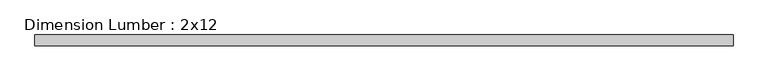
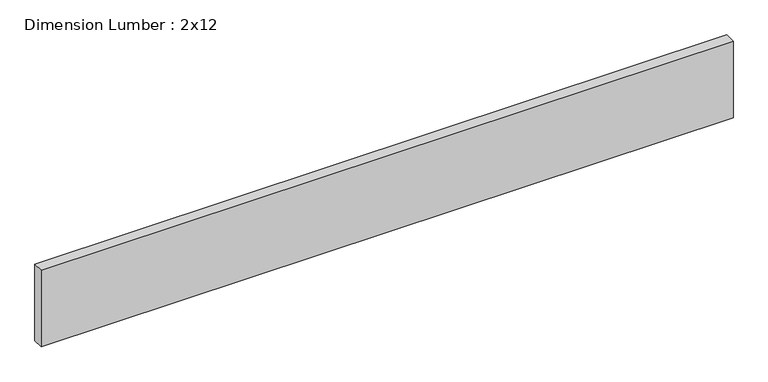
"""IFC4 building model written with IfcOpenShell, lengths in millimetres: beam geometry, Dimension Lumber : 2x12."""

import ifcopenshell
import ifcopenshell.guid

model = None  # the IFC model being written
_history = None  # IfcOwnerHistory: only IFC2X3 demands one
_inside = {}  # id of a spatial element -> (the spatial element, [elements in it])
_under = {}  # id of a project, library or spatial element -> (it, [spatial elements below it])
_declared = {}  # id of a project -> (the project, [libraries it declares])
_typed = {}  # id of a type object -> (the type object, [elements of that type])
_made_of = {}  # id of a material, layer set ... -> (it, [elements and type objects made of it])


def new_model(schema):
    """Start an empty IFC model of exactly this schema.

    Asked for "IFC4X3", IfcOpenShell would pick the latest addendum, in which some entities
    have other attributes; the version numbers below select the first issue.
    IFC2X3 requires an IfcOwnerHistory on every rooted entity: one is made here for all.
    """
    global model, _history
    if schema == "IFC4X3":
        model = ifcopenshell.file(schema_version=(4, 3, 0, 0))
    else:
        model = ifcopenshell.file(schema=schema)
    _inside.clear()
    _under.clear()
    _declared.clear()
    _typed.clear()
    _made_of.clear()
    _history = None
    if model.schema == "IFC2X3":
        org = make("IfcOrganization", Name="unknown")
        user = make(
            "IfcPersonAndOrganization",
            ThePerson=make("IfcPerson", FamilyName="unknown"),
            TheOrganization=org,
        )
        app = make(
            "IfcApplication",
            ApplicationDeveloper=org,
            Version="unknown",
            ApplicationFullName="unknown",
            ApplicationIdentifier="unknown",
        )
        _history = make(
            "IfcOwnerHistory",
            OwningUser=user,
            OwningApplication=app,
            ChangeAction="ADDED",
            CreationDate=0,
        )
    return model


def make(cls, **values):
    """One entity of the class cls with the attributes given. An attribute that is None is left unset."""
    return model.create_entity(
        cls, **{name: value for name, value in values.items() if value is not None}
    )


def rooted(cls, **values):
    """An entity with a GlobalId (a new one), such as an element, a storey or a relation."""
    return make(cls, GlobalId=ifcopenshell.guid.new(), OwnerHistory=_history, **values)


def si_unit(unit_type, name, prefix=None):
    """IfcSIUnit, for example si_unit("LENGTHUNIT", "METRE", prefix="MILLI")."""
    return make("IfcSIUnit", UnitType=unit_type, Prefix=prefix, Name=name)


def assignment(units):
    """IfcUnitAssignment: the units of a project."""
    return None if units is None else make("IfcUnitAssignment", Units=units)


def point(xyz):
    """IfcCartesianPoint."""
    return None if xyz is None else make("IfcCartesianPoint", Coordinates=xyz)


def direction(xyz):
    """IfcDirection."""
    return None if xyz is None else make("IfcDirection", DirectionRatios=xyz)


def frame(location, z_axis=None, x_axis=None):
    """IfcAxis2Placement3D, a coordinate frame: its origin and axes. An axis left out is left unset."""
    return make(
        "IfcAxis2Placement3D",
        Location=point(location),
        Axis=direction(z_axis),
        RefDirection=direction(x_axis),
    )


def origin():
    """The frame at (0, 0, 0) with its axes left unset."""
    return frame((0.0, 0.0, 0.0))


def place(relative_to, where):
    """IfcLocalPlacement: puts the frame where relative to a parent placement (None: the world)."""
    return make(
        "IfcLocalPlacement", PlacementRelTo=relative_to, RelativePlacement=where
    )


def context(
    kind, dimensions, precision=None, world=None, true_north=None, identifier=None
):
    """IfcGeometricRepresentationContext, for example the 3D "Model" context."""
    return make(
        "IfcGeometricRepresentationContext",
        ContextIdentifier=identifier,
        ContextType=kind,
        CoordinateSpaceDimension=dimensions,
        Precision=precision,
        WorldCoordinateSystem=world,
        TrueNorth=true_north,
    )


def project(units=None, contexts=None):
    """IfcProject with its units and contexts."""
    return rooted(
        "IfcProject",
        Name="project",
        RepresentationContexts=contexts,
        UnitsInContext=assignment(units),
    )


def spatial(cls, under=None, at=None, **own):
    """A site, building, storey or space (cls), placed at a placement, below another one or the project."""
    s = rooted(cls, ObjectPlacement=at, **own)
    if under is not None:
        _under.setdefault(under.id(), (under, []))[1].append(s)
    return s


def polyline(points):
    """IfcPolyline through the points."""
    return make("IfcPolyline", Points=[point(p) for p in points])


def outline(outer, holes=None, kind="AREA"):
    """IfcArbitraryClosedProfileDef: a profile drawn as a closed curve; with holes, ...WithVoids."""
    if holes is None:
        return make("IfcArbitraryClosedProfileDef", ProfileType=kind, OuterCurve=outer)
    return make(
        "IfcArbitraryProfileDefWithVoids",
        ProfileType=kind,
        OuterCurve=outer,
        InnerCurves=holes,
    )


def extrude(swept, where, along, depth):
    """IfcExtrudedAreaSolid: the profile swept, set in the frame where, extruded along a direction by depth."""
    return make(
        "IfcExtrudedAreaSolid",
        SweptArea=swept,
        Position=where,
        ExtrudedDirection=direction(along),
        Depth=depth,
    )


def shape(context_of_items, identifier, shape_type, items):
    """IfcShapeRepresentation: the items that make up one representation, for example the "Body"."""
    return make(
        "IfcShapeRepresentation",
        ContextOfItems=context_of_items,
        RepresentationIdentifier=identifier,
        RepresentationType=shape_type,
        Items=items,
    )


def source(mapping_origin, context_of_items, identifier, shape_type, items):
    """IfcRepresentationMap: a shape defined once, which mapped items show again and again."""
    return make(
        "IfcRepresentationMap",
        MappingOrigin=mapping_origin,
        MappedRepresentation=shape(context_of_items, identifier, shape_type, items),
    )


def transform(
    local_origin,
    x_axis=None,
    y_axis=None,
    z_axis=None,
    scale=None,
    scale2=None,
    scale3=None,
    uniform=True,
):
    """IfcCartesianTransformationOperator3D, or its non-uniform kind. x_axis, y_axis, z_axis: its Axis1, 2, 3."""
    if uniform:
        return make(
            "IfcCartesianTransformationOperator3D",
            Axis1=direction(x_axis),
            Axis2=direction(y_axis),
            LocalOrigin=point(local_origin),
            Scale=scale,
            Axis3=direction(z_axis),
        )
    return make(
        "IfcCartesianTransformationOperator3DnonUniform",
        Axis1=direction(x_axis),
        Axis2=direction(y_axis),
        LocalOrigin=point(local_origin),
        Scale=scale,
        Axis3=direction(z_axis),
        Scale2=scale2,
        Scale3=scale3,
    )


def mapped(mapping_source, mapping_target):
    """IfcMappedItem: shows the shape of a source again, moved by a transform."""
    return make(
        "IfcMappedItem", MappingSource=mapping_source, MappingTarget=mapping_target
    )


def made_of(thing, what):
    """Note that an element or type object is made of a material, layer set ...; save() writes the relation."""
    if what is not None:
        _made_of.setdefault(what.id(), (what, []))[1].append(thing)
    return thing


def element(
    cls,
    number,
    at=None,
    inside=None,
    cuts=None,
    type_object=None,
    material=None,
    context=None,
    identifier="Body",
    shape_type=None,
    held_by="IfcProductDefinitionShape",
    body=None,
    shapes=None,
    **own,
):
    """One element of the class cls, such as IfcWall. Its Tag is "e" and its number.

    at: its placement. inside: the storey or other place that contains it. cuts: it is an
    opening in that element (IfcRelVoidsElement). A single representation is given by context,
    identifier, shape_type and body (its items); several are given by shapes. held_by: the class
    of the entity that holds the representations. save() writes the other relations.
    """
    e = rooted(cls, Tag="e%d" % number, ObjectPlacement=at, **own)
    if body is not None:
        shapes = [shape(context, identifier, shape_type, body)]
    if shapes is not None:
        e.Representation = make(held_by, Representations=shapes)
    if inside is not None:
        _inside.setdefault(inside.id(), (inside, []))[1].append(e)
    if cuts is not None:
        rooted(
            "IfcRelVoidsElement", RelatingBuildingElement=cuts, RelatedOpeningElement=e
        )
    if type_object is not None:
        _typed.setdefault(type_object.id(), (type_object, []))[1].append(e)
    return made_of(e, material)


def aggregate(whole, parts):
    """IfcRelAggregates: a whole, such as a stair, and the parts it consists of."""
    return rooted("IfcRelAggregates", RelatingObject=whole, RelatedObjects=parts)


def save(model, path):
    """Write the relations noted so far, then the file.

    IfcRelAggregates (storeys below a building ...), IfcRelContainedInSpatialStructure (elements
    in a storey), IfcRelDefinesByType, IfcRelAssociatesMaterial and IfcRelDeclares: one each for
    every whole, place, type object, material and project.
    """
    for whole, parts in _under.values():
        aggregate(whole, parts)
    for where, things in _inside.values():
        rooted(
            "IfcRelContainedInSpatialStructure",
            RelatedElements=things,
            RelatingStructure=where,
        )
    for kind, things in _typed.values():
        rooted("IfcRelDefinesByType", RelatedObjects=things, RelatingType=kind)
    for what, things in _made_of.values():
        rooted("IfcRelAssociatesMaterial", RelatedObjects=things, RelatingMaterial=what)
    for by, libraries in _declared.values():
        rooted("IfcRelDeclares", RelatingContext=by, RelatedDefinitions=libraries)
    model.write(path)


def dimension_lumber_2x12_7109e756(model_context):
    return source(origin(), model_context, "Body", "SweptSolid", [
        extrude(outline(polyline([(1219.2, 19.05), (1219.2, -19.05), (-1219.2, -19.05), (-1219.2, 19.05), (1219.2, 19.05)])), frame((0.0, 0.0, -142.875), z_axis=(0.0, 0.0, 1.0), x_axis=(1.0, 0.0, 0.0)), (0.0, 0.0, 1.0), 285.75),
    ])


if __name__ == "__main__":
    model = new_model("IFC4")
    model_context = context("Model", 3, world=origin())
    ifc_project = project(units=[si_unit("LENGTHUNIT", "METRE", prefix="MILLI")], contexts=[model_context])
    site = spatial("IfcSite", under=ifc_project)
    building = spatial("IfcBuilding", under=site)
    placement = place(None, origin())
    dimension_lumber_2x12_shape = dimension_lumber_2x12_7109e756(model_context)
    element("IfcBeam", 1, ObjectType="Dimension Lumber : 2x12", at=placement, inside=building, context=model_context, shape_type="MappedRepresentation", body=[
        mapped(dimension_lumber_2x12_shape, transform((0.0, 0.0, 0.0), x_axis=(1.0, 0.0, 0.0), y_axis=(0.0, 1.0, 0.0), z_axis=(0.0, 0.0, 1.0))),
    ])
    save(model, "model.ifc")
